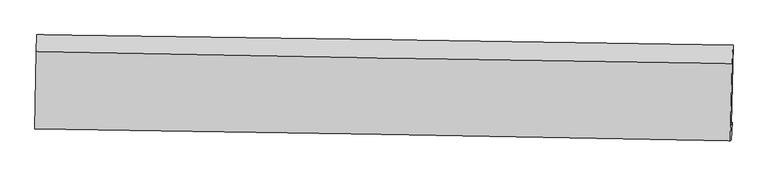
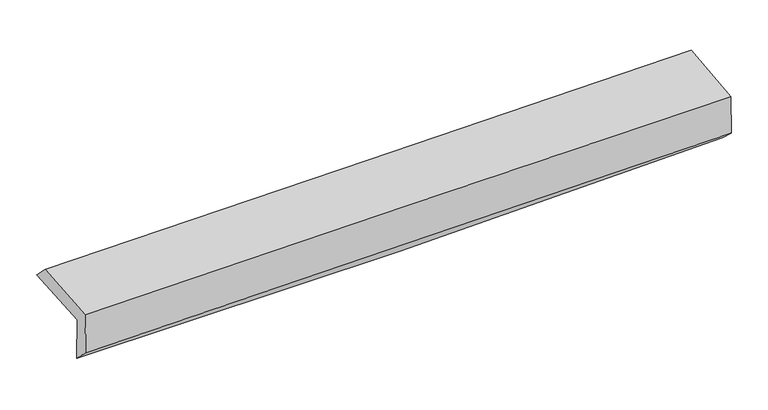
"""IFC4 building model written with IfcOpenShell, lengths in millimetres: proxy geometry."""

from ifc_helpers import new_model, si_unit, frame, origin, place, context, project, spatial, source, transform, mapped, element, save
from ifc_brep_helpers import plane_surface, spline_curve, spline_surface, advanced_brep


def generic_models_46851c8e(model_context):
    return source(origin(), model_context, "Body", "AdvancedBrep", [
        advanced_brep(
        [(-2981.4025121, -1766.0134966, 1952.5560857), (-2970.5220954, -1091.1067806, 1981.6105081), (2973.2894351, -1179.7927953, 2117.6521427), (2956.7422376, -1862.049508, 2101.2998478), (-2971.7387753, -1740.0629524, 1558.6636258), (2966.3114689, -1841.370863, 1708.8787106), (-2977.747243, -1890.4298111, 1705.3320256), (2959.3889087, -1991.8159293, 1847.1280532), (-2986.71852, -1897.7036317, 2083.3073799), (2950.7579831, -1997.9855711, 2214.4869442), (-2976.4215434, -1236.7091603, 2127.1078463), (2966.0756091, -1336.2623412, 2262.0466703)],
        [
            (0, 1),
            (1, 2, spline_curve(3, [(-2970.5220954, -1091.1067806, 1981.6105081), (-1979.299206589, -1103.2112163, 1982.878343637), (-988.304728902, -1116.65508857, 1994.85197637), (992.965660394, -1146.21780095, 2040.204843539), (1983.241693365, -1162.335933471, 2073.578422478), (2973.2894351, -1179.7927953, 2117.6521427)], [4, 2, 4], [0.0, 9.751770909144291, 19.500965578434887])),
            (2, 3),
            (3, 0, spline_curve(3, [(2956.7422376, -1862.049508, 2101.2998478), (1967.852770386, -1844.122932247, 2050.698183818), (978.628058604, -1827.15757368, 2013.001970913), (-1000.753347561, -1795.1450616, 1963.41389509), (-1990.910218814, -1780.098416528, 1951.528854306), (-2981.4025121, -1766.0134966, 1952.5560857)], [4, 2, 4], [0.0, 9.749194669290596, 19.500965578434887])),
            (4, 0),
            (3, 5),
            (5, 4, spline_curve(3, [(2966.3114689, -1841.370863, 1708.8787106), (1977.661795757, -1816.097448313, 1654.394510736), (988.564870458, -1795.01897637, 1614.634195473), (-990.784974846, -1761.247455531, 1564.554717611), (-1981.038130542, -1748.556624206, 1554.243338216), (-2971.7387753, -1740.0629524, 1558.6636258)], [4, 2, 4], [0.0, 9.745250945067735, 19.493077087853905])),
            (6, 4),
            (5, 7),
            (7, 6, spline_curve(3, [(2959.3889087, -1991.8159293, 1847.1280532), (1970.187642583, -1972.172580937, 1820.398571818), (980.891038263, -1953.902998294, 1795.218851926), (-998.154295022, -1920.10689956, 1747.952690021), (-1987.903074765, -1904.581109337, 1725.867067737), (-2977.747243, -1890.4298111, 1705.3320256)], [4, 2, 4], [0.0, 9.743646733722223, 19.48986824124754])),
            (8, 6),
            (7, 9),
            (9, 8, spline_curve(3, [(2950.7579831, -1997.9855711, 2214.4869442), (1961.41552876, -1979.108112039, 2192.536637346), (972.019965772, -1961.313514945, 2170.631291796), (-1007.138840722, -1927.885629553, 2126.904746363), (-1996.902112166, -1912.252913381, 2105.083570678), (-2986.71852, -1897.7036317, 2083.3073799)], [4, 2, 4], [0.0, 9.742376343937558, 19.48732712597573])),
            (10, 8),
            (9, 11),
            (11, 10, spline_curve(3, [(2966.0756091, -1336.2623412, 2262.0466703), (1975.732803027, -1321.417131124, 2238.012275381), (985.418721512, -1305.699639104, 2214.751559298), (-995.413678158, -1272.515706422, 2169.771542467), (-1985.931980583, -1255.048805046, 2148.052650504), (-2976.4215434, -1236.7091603, 2127.1078463)], [4, 2, 4], [0.0, 9.746608662121654, 19.495792880740588])),
            (1, 10),
            (11, 2),
        ],
        [
            spline_surface(3, 3, [[(-2981.4025121, -1766.0134966, 1952.5560857), (-1990.910218818, -1780.098416511, 1951.528854332), (-1000.7533475, -1795.145061698, 1963.413895245), (978.628058542, -1827.157573582, 2013.001970758), (1967.852770437, -1844.122932174, 2050.698183862), (2956.7422376, -1862.049508, 2101.2998478)], [(-2977.775706525, -1541.044591281, 1962.240893157), (-1987.039881356, -1554.469349762, 1961.978684129), (-996.60380801, -1568.981737317, 1973.893255573), (983.407259185, -1600.177649414, 2022.069595031), (1972.982411361, -1616.860599336, 2058.324930105), (2962.257970101, -1634.630603777, 2106.750612759)], [(-2974.148900975, -1316.075685919, 1971.925700643), (-1983.16954392, -1328.84028297, 1972.428513955), (-992.454268494, -1342.81841288, 1984.372615952), (988.186459853, -1373.197725189, 2031.137219356), (1978.112052282, -1389.598266467, 2065.95167637), (2967.773702599, -1407.211699523, 2112.201377741)], [(-2970.5220954, -1091.1067806, 1981.6105081), (-1979.299206457, -1103.21121622, 1982.878343752), (-988.304729004, -1116.655088498, 1994.85197628), (992.965660496, -1146.217801021, 2040.204843629), (1983.241693206, -1162.33593363, 2073.578422613), (2973.2894351, -1179.7927953, 2117.6521427)]], [4, 4], [4, 2, 4], [0.0, 2.2325409412412487], [0.0, 9.751770909144291, 19.500965578434887]),
            spline_surface(3, 3, [[(-2971.7387753, -1740.0629524, 1558.6636258), (-1981.03813052, -1748.556624061, 1554.243338198), (-990.784974686, -1761.247455515, 1564.554717748), (988.564870298, -1795.018976386, 1614.634195336), (1977.661795884, -1816.097448457, 1654.394510704), (2966.3114689, -1841.370863, 1708.8787106)], [(-2974.960020922, -1748.713133776, 1689.961112439), (-1984.328826641, -1759.070554854, 1686.671843582), (-994.107765622, -1772.546657569, 1697.507776921), (985.252599716, -1805.731842111, 1747.423453818), (1974.392120733, -1825.439276346, 1786.495735096), (2963.121725131, -1848.26374465, 1839.685756339)], [(-2978.181266478, -1757.363315224, 1821.258599061), (-1987.619522697, -1769.584485718, 1819.100348948), (-997.430556564, -1783.845859644, 1830.460836072), (981.940329125, -1816.444707857, 1880.212712277), (1971.122445588, -1834.781104285, 1918.59695947), (2959.931981369, -1855.15662635, 1970.492802061)], [(-2981.4025121, -1766.0134966, 1952.5560857), (-1990.910218818, -1780.098416511, 1951.528854332), (-1000.7533475, -1795.145061698, 1963.413895245), (978.628058542, -1827.157573582, 2013.001970758), (1967.852770437, -1844.122932174, 2050.698183862), (2956.7422376, -1862.049508, 2101.2998478)]], [4, 4], [4, 2, 4], [0.0, 1.312672282442419], [0.0, 9.74782614278617, 19.493077087853905]),
            spline_surface(3, 3, [[(-2977.747243, -1890.4298111, 1705.3320256), (-1987.903074711, -1904.581109411, 1725.867067618), (-998.154295145, -1920.106899477, 1747.952690123), (980.891038385, -1953.902998377, 1795.218851823), (1970.187642673, -1972.172580982, 1820.398571842), (2959.3889087, -1991.8159293, 1847.1280532)], [(-2975.74442041, -1840.307524891, 1656.442558993), (-1985.614759957, -1852.572947653, 1668.659157804), (-995.697855003, -1867.153751504, 1686.820032669), (983.448982346, -1900.941657727, 1735.023966332), (1972.679027067, -1920.147536805, 1765.063884791), (2961.696428757, -1941.667573864, 1801.044938996)], [(-2973.74159789, -1790.185238609, 1607.553092407), (-1983.326445273, -1800.56478582, 1611.451248012), (-993.241414829, -1814.200603488, 1625.687375203), (986.006926338, -1847.980317035, 1674.829080828), (1975.17041149, -1868.122492634, 1709.729197754), (2964.003948843, -1891.519218436, 1754.961824804)], [(-2971.7387753, -1740.0629524, 1558.6636258), (-1981.03813052, -1748.556624061, 1554.243338198), (-990.784974686, -1761.247455515, 1564.554717748), (988.564870298, -1795.018976386, 1614.634195336), (1977.661795884, -1816.097448457, 1654.394510704), (2966.3114689, -1841.370863, 1708.8787106)]], [4, 4], [4, 2, 4], [0.0, 0.7929714249007613], [0.0, 9.746221507525316, 19.48986824124754]),
            spline_surface(3, 3, [[(-2986.71852, -1897.7036317, 2083.3073799), (-1996.902112012, -1912.252913267, 2105.083570615), (-1007.138840623, -1927.885629505, 2126.904746474), (972.019965673, -1961.313514993, 2170.631291686), (1961.415528649, -1979.108111923, 2192.536637234), (2950.7579831, -1997.9855711, 2214.4869442)], [(-2983.728094332, -1895.279024811, 1957.315595133), (-1993.90243291, -1909.695645293, 1978.678069616), (-1004.143992117, -1925.292719493, 2000.587394367), (974.976989924, -1958.843342785, 2045.493811741), (1964.339566681, -1976.796268302, 2068.490615428), (2953.634958324, -1995.929023859, 2092.033980525)], [(-2980.737668668, -1892.854417989, 1831.323810367), (-1990.902753813, -1907.138377385, 1852.272568618), (-1001.149143651, -1922.69980949, 1874.27004223), (977.934014135, -1956.373170585, 1920.356331768), (1967.26360464, -1974.484424603, 1944.444593648), (2956.511933476, -1993.872476541, 1969.581016875)], [(-2977.747243, -1890.4298111, 1705.3320256), (-1987.903074711, -1904.581109411, 1725.867067618), (-998.154295145, -1920.106899477, 1747.952690123), (980.891038385, -1953.902998377, 1795.218851823), (1970.187642673, -1972.172580982, 1820.398571842), (2959.3889087, -1991.8159293, 1847.1280532)]], [4, 4], [4, 2, 4], [0.0, 1.2380734636991242], [0.0, 9.744950782038174, 19.48732712597573]),
            spline_surface(3, 3, [[(-2976.4215434, -1236.7091603, 2127.1078463), (-1985.93198042, -1255.048805036, 2148.052650509), (-995.413677996, -1272.515706472, 2169.771542413), (985.41872135, -1305.699639055, 2214.751559353), (1975.7328031, -1321.417131223, 2238.012275461), (2966.0756091, -1336.2623412, 2262.0466703)], [(-2979.85386895, -1457.040650775, 2112.507690819), (-1989.588690968, -1474.116841121, 2133.729623864), (-999.322065554, -1490.972347457, 2155.482610408), (980.952469442, -1524.237597675, 2200.044803439), (1970.960378271, -1540.6474581, 2222.85372939), (2960.969733755, -1556.836751143, 2246.193428272)], [(-2983.28619445, -1677.372141225, 2097.907535381), (-1993.245401465, -1693.184877182, 2119.40659726), (-1003.230453065, -1709.42898852, 2141.193678478), (976.486217581, -1742.775556373, 2185.3380476), (1966.187953477, -1759.877785046, 2207.695183304), (2955.863858445, -1777.411161157, 2230.340186228)], [(-2986.71852, -1897.7036317, 2083.3073799), (-1996.902112012, -1912.252913267, 2105.083570615), (-1007.138840623, -1927.885629505, 2126.904746474), (972.019965673, -1961.313514993, 2170.631291686), (1961.415528649, -1979.108111923, 2192.536637234), (2950.7579831, -1997.9855711, 2214.4869442)]], [4, 4], [4, 2, 4], [0.0, 2.1556867277531717], [0.0, 9.749184218618934, 19.495792880740588]),
            spline_surface(3, 3, [[(-2970.5220954, -1091.1067806, 1981.6105081), (-1979.299206457, -1103.21121622, 1982.878343752), (-988.304729004, -1116.655088498, 1994.85197628), (992.965660496, -1146.217801021, 2040.204843629), (1983.241693206, -1162.33593363, 2073.578422613), (2973.2894351, -1179.7927953, 2117.6521427)], [(-2972.488578062, -1139.640907165, 2030.109620859), (-1981.510131107, -1153.823745824, 2037.93644603), (-990.674378649, -1168.608627826, 2053.158498345), (990.450014133, -1199.378413702, 2098.387082224), (1980.738729836, -1215.3629995, 2128.389706905), (2970.884826432, -1231.949310606, 2165.783651909)], [(-2974.455060738, -1188.175033735, 2078.608733541), (-1983.721055771, -1204.436275432, 2092.994548231), (-993.044028351, -1220.562167144, 2111.465020347), (987.934367713, -1252.539026374, 2156.569320757), (1978.23576647, -1268.390065352, 2183.200991169), (2968.480217768, -1284.105825894, 2213.915161091)], [(-2976.4215434, -1236.7091603, 2127.1078463), (-1985.93198042, -1255.048805036, 2148.052650509), (-995.413677996, -1272.515706472, 2169.771542413), (985.41872135, -1305.699639055, 2214.751559353), (1975.7328031, -1321.417131223, 2238.012275461), (2966.0756091, -1336.2623412, 2262.0466703)]], [4, 4], [4, 2, 4], [0.0, 0.7725347014578473], [0.0, 9.754476047113332, 19.5063751397249]),
            plane_surface(frame((2962.0942737, -1701.546168, 2041.9153948), z_axis=(0.9994265111355909, -0.024792527489164794, 0.023064679057810802), x_axis=(0.023484741530716197, 0.01678758996149151, -0.999583235022737))),
            plane_surface(frame((-2977.4251149, -1603.6709721, 1901.4295786), z_axis=(-0.9995796569910546, 0.01712175770328816, -0.023395613751208053), x_axis=(-0.016104357269717547, -0.9989450910497082, -0.04300412473960524))),
        ],
        [
            (0, [[1, 2, 3, 4]]),
            (1, [[5, -4, 6, 7]]),
            (2, [[8, -7, 9, 10]]),
            (3, [[11, -10, 12, 13]]),
            (4, [[14, -13, 15, 16]]),
            (5, [[17, -16, 18, -2]]),
            (6, [[-12, -9, -6, -3, -18, -15]]),
            (7, [[-1, -5, -8, -11, -14, -17]]),
        ],
    ),
    ])


if __name__ == "__main__":
    model = new_model("IFC4")
    model_context = context("Model", 3, world=origin())
    ifc_project = project(units=[si_unit("LENGTHUNIT", "METRE", prefix="MILLI")], contexts=[model_context])
    site = spatial("IfcSite", under=ifc_project)
    building = spatial("IfcBuilding", under=site)
    placement = place(None, origin())
    generic_models_shape = generic_models_46851c8e(model_context)
    element("IfcBuildingElementProxy", 1, Name="Generic Models", at=placement, inside=building, context=model_context, shape_type="MappedRepresentation", body=[
        mapped(generic_models_shape, transform((0.0, 0.0, 0.0), x_axis=(1.0, 0.0, 0.0), y_axis=(0.0, 1.0, 0.0), z_axis=(0.0, 0.0, 1.0))),
    ])
    save(model, "model.ifc")
